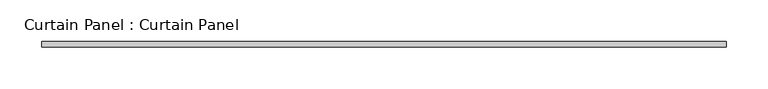
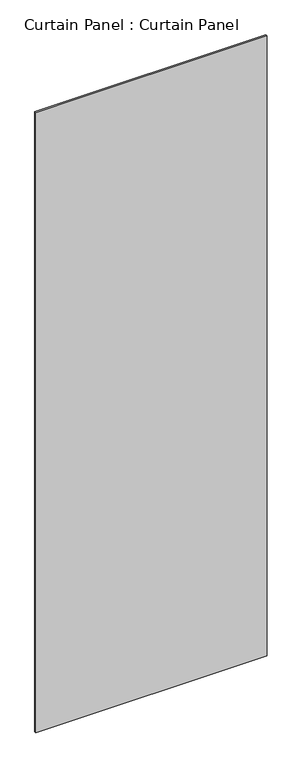
"""IFC4 building model written with IfcOpenShell, lengths in millimetres: plate geometry, Curtain Panel : Curtain Panel."""

from ifc_helpers import new_model, si_unit, frame, origin, place, context, project, spatial, polyline, outline, extrude, source, transform, mapped, element, save


def curtain_panel_curtain_panel_b815bb8e(model_context):
    return source(origin(), model_context, "Body", "SweptSolid", [
        extrude(outline(polyline([(-46163.5961141, -1987.4352036), (-46980.1895567, -1987.4352036), (-46980.1895567, -1981.0852036), (-46163.5961141, -1981.0852036), (-46163.5961141, -1987.4352036)])), frame((0.0, 0.0, 5811.8015398), z_axis=(0.0, 0.0, 1.0), x_axis=(1.0, 0.0, 0.0)), (0.0, 0.0, 1.0), 2315.3878),
    ])


if __name__ == "__main__":
    model = new_model("IFC4")
    model_context = context("Model", 3, world=origin())
    ifc_project = project(units=[si_unit("LENGTHUNIT", "METRE", prefix="MILLI")], contexts=[model_context])
    site = spatial("IfcSite", under=ifc_project)
    building = spatial("IfcBuilding", under=site)
    placement = place(None, origin())
    curtain_panel_curtain_panel_shape = curtain_panel_curtain_panel_b815bb8e(model_context)
    element("IfcPlate", 1, ObjectType="Curtain Panel : Curtain Panel", at=placement, inside=building, context=model_context, shape_type="MappedRepresentation", body=[
        mapped(curtain_panel_curtain_panel_shape, transform((0.0, 0.0, 0.0), x_axis=(1.0, 0.0, 0.0), y_axis=(0.0, 1.0, 0.0), z_axis=(0.0, 0.0, 1.0))),
    ])
    save(model, "model.ifc")
